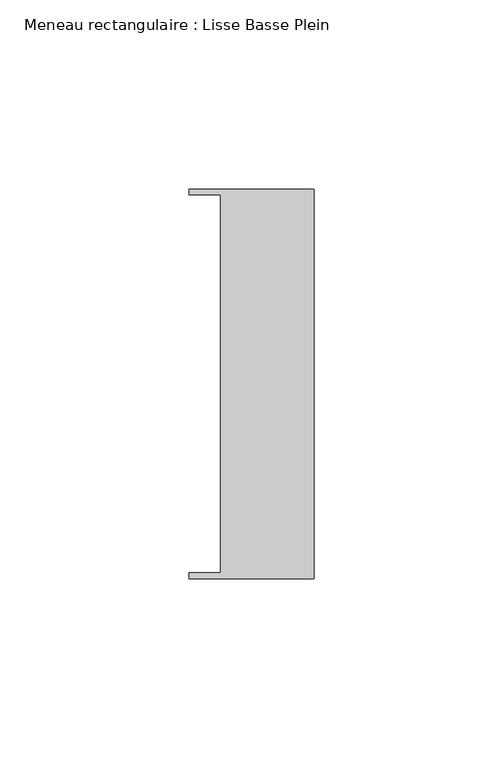
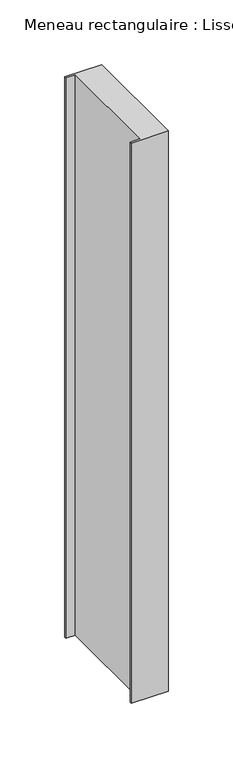
"""IFC4 building model written with IfcOpenShell, lengths in millimetres: member geometry, Meneau rectangulaire : Lisse Basse Plein."""

from ifc_helpers import new_model, si_unit, frame, origin, place, context, project, spatial, polyline, outline, extrude, source, transform, mapped, element, save


def meneau_rectangulaire_lisse_basse_plein_37600437(model_context):
    return source(origin(), model_context, "Body", "SweptSolid", [
        extrude(outline(polyline([(0.0, -51.5026203), (-33.0710396, -51.5026203), (-33.0710396, -49.9505686), (-24.7130865, -49.9505686), (-24.7130865, 49.9505686), (-33.0710396, 49.9505686), (-33.0710396, 51.5026203), (0.0, 51.5026203), (0.0, -51.5026203)])), frame((0.0, 0.0, -528.9343151), z_axis=(0.0, 0.0, 1.0), x_axis=(1.0, 0.0, 0.0)), (0.0, 0.0, 1.0), 528.9343151),
    ])


if __name__ == "__main__":
    model = new_model("IFC4")
    model_context = context("Model", 3, world=origin())
    ifc_project = project(units=[si_unit("LENGTHUNIT", "METRE", prefix="MILLI")], contexts=[model_context])
    site = spatial("IfcSite", under=ifc_project)
    building = spatial("IfcBuilding", under=site)
    placement = place(None, origin())
    meneau_rectangulaire_lisse_basse_plein_shape = meneau_rectangulaire_lisse_basse_plein_37600437(model_context)
    element("IfcMember", 1, ObjectType="Meneau rectangulaire : Lisse Basse Plein", at=placement, inside=building, context=model_context, shape_type="MappedRepresentation", body=[
        mapped(meneau_rectangulaire_lisse_basse_plein_shape, transform((0.0, 0.0, 0.0), x_axis=(1.0, 0.0, 0.0), y_axis=(0.0, 1.0, 0.0), z_axis=(0.0, 0.0, 1.0))),
    ])
    save(model, "model.ifc")
